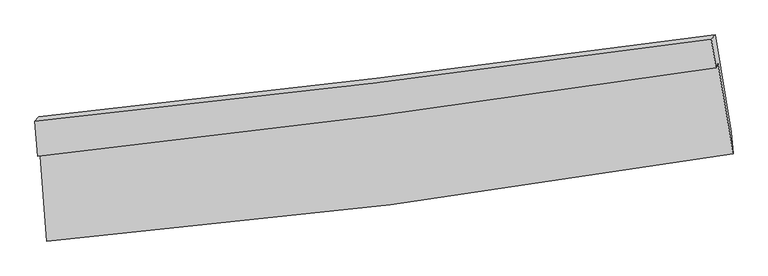
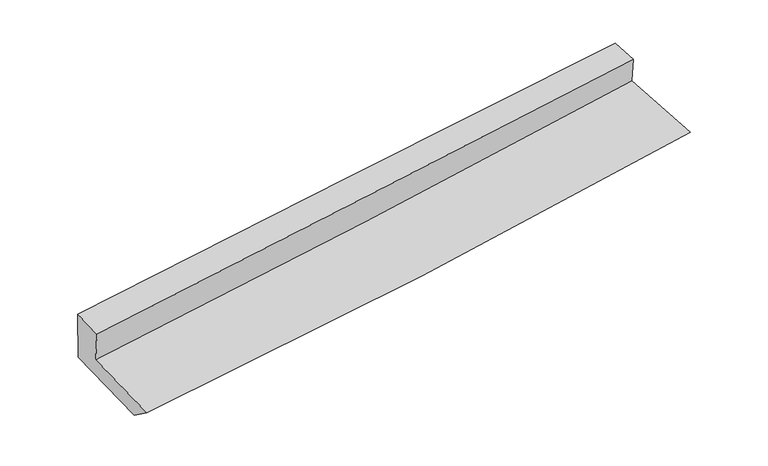
"""IFC4 building model written with IfcOpenShell, lengths in millimetres: proxy geometry."""

from ifc_helpers import new_model, si_unit, frame, origin, place, context, project, spatial, source, transform, mapped, element, save
from ifc_brep_helpers import plane_surface, spline_curve, spline_surface, advanced_brep


def generic_models_3568ab53(model_context):
    return source(origin(), model_context, "Body", "AdvancedBrep", [
        advanced_brep(
        [(-2269.3258091, -1810.9364536, 1768.8306468), (-2222.8203426, -2416.6370411, 1686.8181575), (2330.4895515, -1837.3246527, 2043.5673663), (2229.3048467, -1231.6969756, 2131.8897673), (-2283.7038694, -1853.4545632, 2009.8475458), (2217.5160688, -1268.0617576, 2338.3987239), (-2301.4685204, -1623.4480905, 2042.4570909), (2186.1455006, -1079.3878488, 2364.1124926), (-2276.252491, -1590.5614627, 1658.8847748), (2210.8856671, -1049.2890364, 2015.5418749), (-2225.2032639, -2251.5174619, 1565.1766534), (2318.3222404, -1695.4513275, 1927.4784655)],
        [
            (0, 1),
            (1, 2, spline_curve(3, [(-2222.8203426, -2416.6370411, 1686.8181575), (-1461.082647803, -2353.010819815, 1747.337697102), (-701.330294799, -2273.017445117, 1807.283391932), (816.451465453, -2080.01055841, 1926.203204115), (1574.469077016, -1966.899803558, 1985.173912355), (2330.4895515, -1837.3246527, 2043.5673663)], [4, 2, 4], [0.0, 7.498207156814388, 15.018655983974224])),
            (2, 3),
            (3, 0, spline_curve(3, [(2229.3048467, -1231.6969756, 2131.8897673), (1480.421191166, -1341.784338278, 2071.808497772), (730.536813554, -1445.159534926, 2011.467747238), (-769.012648769, -1638.199717492, 1890.446507689), (-1518.671823156, -1727.904346569, 1829.767551608), (-2269.3258091, -1810.9364536, 1768.8306468)], [4, 2, 4], [0.0, 7.520448827159836, 15.018655983974224])),
            (4, 0),
            (3, 5),
            (5, 4, spline_curve(3, [(2217.5160688, -1268.0617576, 2338.3987239), (1467.539533037, -1381.219860877, 2295.656895305), (716.893111639, -1486.642451927, 2246.857211291), (-783.51749116, -1681.727699081, 2137.304372667), (-1533.277715482, -1771.436043621, 2076.58699747), (-2283.7038694, -1853.4545632, 2009.8475458)], [4, 2, 4], [0.0, 7.476361887688109, 14.930612491819751])),
            (6, 4),
            (5, 7),
            (7, 6, spline_curve(3, [(2186.1455006, -1079.3878488, 2364.1124926), (1437.453868663, -1182.314476526, 2322.949201687), (688.586134848, -1279.174315802, 2275.513968848), (-807.286245786, -1460.491897639, 2168.258458114), (-1554.289852123, -1544.985472435, 2108.475223651), (-2301.4685204, -1623.4480905, 2042.4570909)], [4, 2, 4], [0.0, 7.461403495139547, 14.900739946055094])),
            (8, 6),
            (7, 9),
            (9, 8, spline_curve(3, [(2210.8856671, -1049.2890364, 2015.5418749), (1463.099348063, -1150.761805363, 1956.918923638), (714.723373007, -1246.662785438, 1897.841334926), (-780.992829036, -1427.054019065, 1778.95294978), (-1528.329573392, -1511.577181439, 1719.144838368), (-2276.252491, -1590.5614627, 1658.8847748)], [4, 2, 4], [0.0, 7.446960419563016, 14.871896510188463])),
            (10, 8),
            (9, 11),
            (11, 10, spline_curve(3, [(2318.3222404, -1695.4513275, 1927.4784655), (1562.429442283, -1809.175746375, 1866.560322165), (805.293356888, -1912.429942531, 1805.865050426), (-709.222487647, -2097.723480973, 1685.099096039), (-1466.594903623, -2179.824663162, 1625.027097182), (-2225.2032639, -2251.5174619, 1565.1766534)], [4, 2, 4], [0.0, 7.496292727280421, 14.970415225697504])),
            (1, 10),
            (11, 2),
        ],
        [
            spline_surface(3, 3, [[(-2269.3258091, -1810.9364536, 1768.8306468), (-1518.671823193, -1727.904346516, 1829.76755166), (-769.01264882, -1638.199717383, 1890.446507764), (730.536813605, -1445.159535036, 2011.467747162), (1480.421191188, -1341.78433816, 2071.808497879), (2229.3048467, -1231.6969756, 2131.8897673)], [(-2253.823986939, -2012.836649436, 1741.493150363), (-1499.475431411, -1936.27317094, 1802.290933486), (-746.451864145, -1849.805626618, 1862.725469141), (759.175030897, -1656.776542783, 1983.046232855), (1511.770486516, -1550.156159942, 2042.930302724), (2263.033081647, -1433.572867977, 2102.44896697)], [(-2238.322164761, -2214.736845264, 1714.155653937), (-1480.279039612, -2144.641995354, 1774.814315323), (-723.891079486, -2061.411535934, 1835.004430473), (787.813248173, -1868.39355061, 1954.624718504), (1543.119781803, -1758.527981692, 2014.05210756), (2296.761316553, -1635.448760323, 2073.00816663)], [(-2222.8203426, -2416.6370411, 1686.8181575), (-1461.082647829, -2353.010819777, 1747.337697149), (-701.330294811, -2273.01744517, 1807.28339185), (816.451465465, -2080.010558357, 1926.203204197), (1574.469077132, -1966.899803474, 1985.173912404), (2330.4895515, -1837.3246527, 2043.5673663)]], [4, 4], [4, 2, 4], [0.0, 2.1161018437039636], [0.0, 7.498207156814388, 15.018655983974224]),
            spline_surface(3, 3, [[(-2283.7038694, -1853.4545632, 2009.8475458), (-1533.277715551, -1771.436043635, 2076.58699745), (-783.517491056, -1681.727699204, 2137.304372722), (716.893111534, -1486.642451804, 2246.857211235), (1467.539533069, -1381.219860994, 2295.656895311), (2217.5160688, -1268.0617576, 2338.3987239)], [(-2278.911182606, -1839.281860002, 1929.508579454), (-1528.409084738, -1756.925477931, 1994.313848841), (-778.682543639, -1667.21837195, 2055.018417724), (721.441012229, -1472.814812901, 2168.394056532), (1471.833419107, -1368.074686702, 2221.040762818), (2221.445661431, -1255.940163586, 2269.562405018)], [(-2274.118495894, -1825.109156798, 1849.169613146), (-1523.540454007, -1742.414912221, 1912.04070027), (-773.847596237, -1652.709044637, 1972.732462762), (725.98891291, -1458.987173939, 2089.930901865), (1476.127305151, -1354.929512452, 2146.424630372), (2225.375254069, -1243.818569614, 2200.726086182)], [(-2269.3258091, -1810.9364536, 1768.8306468), (-1518.671823193, -1727.904346516, 1829.76755166), (-769.01264882, -1638.199717383, 1890.446507764), (730.536813605, -1445.159535036, 2011.467747162), (1480.421191188, -1341.78433816, 2071.808497879), (2229.3048467, -1231.6969756, 2131.8897673)]], [4, 4], [4, 2, 4], [0.0, 0.8045547788323307], [0.0, 7.4542506041316425, 14.930612491819751]),
            spline_surface(3, 3, [[(-2301.4685204, -1623.4480905, 2042.4570909), (-1554.289852096, -1544.985472336, 2108.47522361), (-807.28624569, -1460.491897719, 2168.258458079), (688.586134751, -1279.174315722, 2275.513968883), (1437.453868664, -1182.314476427, 2322.94920167), (2186.1455006, -1079.3878488, 2364.1124926)], [(-2295.546970067, -1700.11691473, 2031.58724253), (-1547.285806582, -1620.4689961, 2097.845814887), (-799.363327474, -1534.237164885, 2157.940429639), (698.021793684, -1348.330361086, 2265.961716346), (1447.482423475, -1248.616271294, 2313.851766234), (2196.602356677, -1142.279151745, 2355.541236384)], [(-2289.625419733, -1776.78573897, 2020.71739417), (-1540.281761066, -1695.952519872, 2087.216406173), (-791.440409272, -1607.982432038, 2147.622401162), (707.457452602, -1417.486406439, 2256.409463772), (1457.510978258, -1314.918066127, 2304.754330747), (2207.059212723, -1205.170454655, 2346.969980116)], [(-2283.7038694, -1853.4545632, 2009.8475458), (-1533.277715551, -1771.436043635, 2076.58699745), (-783.517491056, -1681.727699204, 2137.304372722), (716.893111534, -1486.642451804, 2246.857211235), (1467.539533069, -1381.219860994, 2295.656895311), (2217.5160688, -1268.0617576, 2338.3987239)]], [4, 4], [4, 2, 4], [0.0, 0.7150763621392157], [0.0, 7.439336450915547, 14.900739946055094]),
            spline_surface(3, 3, [[(-2276.252491, -1590.5614627, 1658.8847748), (-1528.329573342, -1511.577181327, 1719.144838253), (-780.992829024, -1427.054019144, 1778.952949751), (714.723372995, -1246.662785359, 1897.841334955), (1463.099348036, -1150.761805437, 1956.918923539), (2210.8856671, -1049.2890364, 2015.5418749)], [(-2284.65783415, -1601.523671977, 1786.742213491), (-1536.98299961, -1522.71327834, 1848.921633363), (-789.757301257, -1438.199978663, 1908.721452499), (706.010960237, -1257.499962141, 2023.732212903), (1454.550854899, -1161.279362448, 2078.929016253), (2202.63894492, -1059.321973881, 2131.732080804)], [(-2293.06317725, -1612.485881223, 1914.599652209), (-1545.636425828, -1533.849375323, 1978.698428499), (-798.521773457, -1449.3459382, 2038.48995533), (697.29854751, -1268.33713894, 2149.623090934), (1446.002361801, -1171.796919416, 2200.939108955), (2194.39222278, -1069.354911319, 2247.922286696)], [(-2301.4685204, -1623.4480905, 2042.4570909), (-1554.289852096, -1544.985472336, 2108.47522361), (-807.28624569, -1460.491897719, 2168.258458079), (688.586134751, -1279.174315722, 2275.513968883), (1437.453868664, -1182.314476427, 2322.94920167), (2186.1455006, -1079.3878488, 2364.1124926)]], [4, 4], [4, 2, 4], [0.0, 1.265677689050698], [0.0, 7.424936090625447, 14.871896510188463]),
            spline_surface(3, 3, [[(-2225.2032639, -2251.5174619, 1565.1766534), (-1466.594903604, -2179.824663096, 1625.027097209), (-709.222487682, -2097.723481015, 1685.099096042), (805.293356924, -1912.429942488, 1805.865050424), (1562.429442393, -1809.17574648, 1866.560322265), (2318.3222404, -1695.4513275, 1927.4784655)], [(-2242.219672924, -2031.198795475, 1596.412693878), (-1487.173126841, -1957.075502481, 1656.399677568), (-733.145934818, -1874.166993701, 1716.383713957), (775.103362259, -1690.507556755, 1836.523811947), (1529.319410934, -1589.704432798, 1896.679855997), (2282.510049293, -1480.063897133, 1956.832935275)], [(-2259.236081976, -1810.880129125, 1627.648734322), (-1507.751350105, -1734.326341941, 1687.772257893), (-757.069381888, -1650.610506458, 1747.668331835), (744.91336766, -1468.585171093, 1867.182573432), (1496.209379496, -1370.233119119, 1926.799389806), (2246.697858207, -1264.676466767, 1986.187405125)], [(-2276.252491, -1590.5614627, 1658.8847748), (-1528.329573342, -1511.577181327, 1719.144838253), (-780.992829024, -1427.054019144, 1778.952949751), (714.723372995, -1246.662785359, 1897.841334955), (1463.099348036, -1150.761805437, 1956.918923539), (2210.8856671, -1049.2890364, 2015.5418749)]], [4, 4], [4, 2, 4], [0.0, 2.2293585231824484], [0.0, 7.474122498417083, 14.970415225697504]),
            spline_surface(3, 3, [[(-2222.8203426, -2416.6370411, 1686.8181575), (-1461.082647829, -2353.010819777, 1747.337697149), (-701.330294811, -2273.01744517, 1807.28339185), (816.451465465, -2080.010558357, 1926.203204197), (1574.469077132, -1966.899803474, 1985.173912404), (2330.4895515, -1837.3246527, 2043.5673663)], [(-2223.614649714, -2361.597181379, 1646.270989483), (-1462.920066435, -2295.282100896, 1706.567497185), (-703.961025751, -2214.586123817, 1766.555293248), (812.732095968, -2024.1503531, 1886.090486273), (1570.455865551, -1914.325117788, 1945.636049041), (2326.433781132, -1790.033544279, 2004.87106605)], [(-2224.408956786, -2306.557321621, 1605.723821417), (-1464.757484999, -2237.553381977, 1665.797297172), (-706.591756743, -2156.154802367, 1725.827194644), (809.01272642, -1968.290147745, 1845.977768348), (1566.442653974, -1861.750432166, 1906.098185628), (2322.378010768, -1742.742435921, 1966.17476575)], [(-2225.2032639, -2251.5174619, 1565.1766534), (-1466.594903604, -2179.824663096, 1625.027097209), (-709.222487682, -2097.723481015, 1685.099096042), (805.293356924, -1912.429942488, 1805.865050424), (1562.429442393, -1809.17574648, 1866.560322265), (2318.3222404, -1695.4513275, 1927.4784655)]], [4, 4], [4, 2, 4], [0.0, 0.6896108131296272], [0.0, 7.532499565852876, 15.087342522427983]),
            plane_surface(frame((2248.7773125, -1360.2019331, 2136.8314484), z_axis=(0.9848186427809611, 0.15242450704429839, 0.0830602822254347), x_axis=(-0.0705367844813247, -0.08581484053637342, 0.9938110359513785))),
            plane_surface(frame((-2263.1290494, -1924.4258455, 1788.6691449), z_axis=(-0.9952275982994507, -0.06677918879322271, -0.07115172188518326), x_axis=(-0.07586606708742107, 0.988101504655278, 0.13378997108401908))),
        ],
        [
            (0, [[1, 2, 3, 4]]),
            (1, [[5, -4, 6, 7]]),
            (2, [[8, -7, 9, 10]]),
            (3, [[11, -10, 12, 13]]),
            (4, [[14, -13, 15, 16]]),
            (5, [[17, -16, 18, -2]]),
            (6, [[-12, -9, -6, -3, -18, -15]]),
            (7, [[-1, -5, -8, -11, -14, -17]]),
        ],
    ),
    ])


if __name__ == "__main__":
    model = new_model("IFC4")
    model_context = context("Model", 3, world=origin())
    ifc_project = project(units=[si_unit("LENGTHUNIT", "METRE", prefix="MILLI")], contexts=[model_context])
    site = spatial("IfcSite", under=ifc_project)
    building = spatial("IfcBuilding", under=site)
    placement = place(None, origin())
    generic_models_shape = generic_models_3568ab53(model_context)
    element("IfcBuildingElementProxy", 1, Name="Generic Models", at=placement, inside=building, context=model_context, shape_type="MappedRepresentation", body=[
        mapped(generic_models_shape, transform((0.0, 0.0, 0.0), x_axis=(1.0, 0.0, 0.0), y_axis=(0.0, 1.0, 0.0), z_axis=(0.0, 0.0, 1.0))),
    ])
    save(model, "model.ifc")
